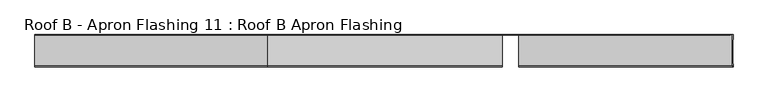
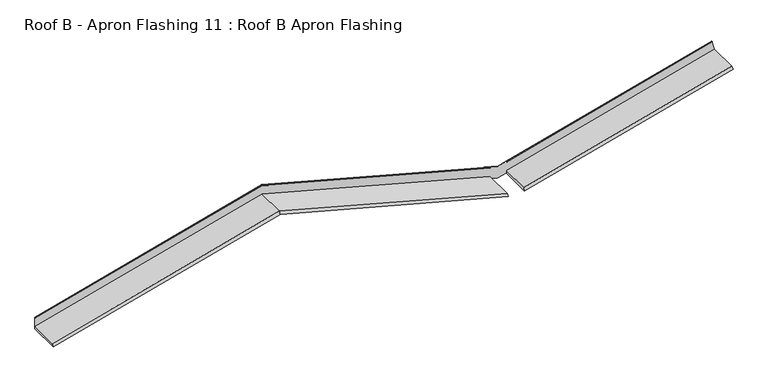
"""IFC4 building model written with IfcOpenShell, lengths in millimetres: proxy geometry, Roof B - Apron Flashing 11 : Roof B Apron Flashing."""

from ifc_helpers import new_model, si_unit, frame, origin, place, context, project, spatial, circle_curve, ellipse_curve, source, transform, mapped, element, save
from ifc_brep_helpers import plane_surface, cylinder_surface, advanced_brep


def roof_b_apron_flashing_11_roof_b_apron_flashing_f9b16e8e(model_context):
    return source(origin(), model_context, "Body", "AdvancedBrep", [
        advanced_brep(
        [(41046.9169756, -12743.6302348, 3936.6815328), (41053.9050898, -12760.5017073, 3910.6015355), (41053.9050898, -12725.1426619, 3910.6015355), (41049.6725696, -12725.1426619, 3926.3975159), (41049.6725696, -12451.2645713, 3926.3975159), (41053.9050898, -12451.2645713, 3910.6015355), (41053.9050898, -12398.2251597, 3910.6015355), (41018.7483068, -12398.2251597, 4041.808436), (41018.6544689, -12399.4491481, 4042.1586439), (41020.1649522, -12403.2391295, 4036.5214433), (41020.3059152, -12402.4004589, 4035.9953624), (41019.0404112, -12399.2251597, 4040.7182876), (41046.9169756, -12399.2251597, 3936.6815328), (35828.9343483, -12743.6302348, 3993.4914166), (35828.9343483, -12760.5017073, 3965.5389597), (38458.9343483, -12760.5017073, 3260.8325836), (38458.9343483, -12743.6302348, 3288.7850405), (35828.9343483, -12398.2251597, 3965.5389597), (38543.9343483, -12398.2251597, 3238.0569023), (38543.9343483, -12399.2251597, 3238.0569023), (38458.9343483, -12399.2251597, 3260.8325836), (35828.9343483, -12399.4491481, 4106.5414436), (35828.9343483, -12403.2391295, 4100.4995101), (38458.9343483, -12403.2391295, 3395.793134), (38458.9343483, -12399.4491481, 3401.8350675), (35828.9343483, -12399.2251597, 3993.4914166), (38458.9343483, -12399.2251597, 3288.7850405), (33211.0754059, -12760.5017073, 3264.0857702), (33211.0754059, -12398.2251597, 3264.0857702), (33211.0754059, -12399.4491481, 3405.0882541), (33211.0754059, -12403.2391295, 3399.0463206), (33211.0754059, -12399.2251597, 3292.0382271), (33211.0754059, -12743.6302348, 3292.0382271), (38647.1439648, -12743.6302348, 3293.6642926), (38647.1439648, -12760.5017073, 3265.7118357), (38727.4602553, -12451.2645713, 3287.2325209), (38727.4602553, -12725.1426619, 3287.2325209), (38647.1439648, -12399.2251597, 3265.7118357), (33211.0754059, -12398.2251597, 3404.7129024), (35828.9343483, -12398.2251597, 4106.1660919), (38543.9343483, -12398.2251597, 3378.6840344), (38647.1439648, -12399.4491481, 3406.7143195), (38647.1439648, -12403.2391295, 3400.6723861), (38647.1439648, -12399.2251597, 3405.1705503), (38647.1439648, -12399.2251597, 3406.9349346), (38543.9343483, -12399.2251597, 3379.2800012), (38458.9343483, -12399.2251597, 3402.0556826), (38458.9343483, -12399.2251597, 3400.2912982), (35828.9343483, -12399.2251597, 4104.9976743), (33211.0754059, -12399.2251597, 3403.5444848), (38647.1439648, -12399.2251597, 3293.6642926), (38647.1439648, -12402.4004589, 3400.1085343), (35828.9343483, -12402.4004589, 4099.9356583), (38458.9343483, -12402.4004589, 3395.2292822), (33211.0754059, -12402.4004589, 3398.4824688), (38727.4602553, -12451.2645713, 3304.1626016), (38727.4602553, -12725.1426619, 3304.1626016)],
        [
            (0, 1),
            (1, 2),
            (2, 3),
            (3, 4),
            (4, 5),
            (5, 6),
            (6, 7),
            (7, 8, circle_curve(frame((41018.7483068, -12398.8908518, 4041.808436), z_axis=(0.9659258262890694, 0.0, 0.2588190451025169), x_axis=(-0.2588190451025169, 0.0, 0.9659258262890694)), 0.6656921)),
            (8, 9),
            (9, 10, circle_curve(frame((41020.2354337, -12402.8197942, 4036.2584028), z_axis=(0.9659258262890694, 0.0, 0.2588190451025169), x_axis=(-0.2588190451025169, 0.0, 0.9659258262890694)), 0.5)),
            (10, 11),
            (11, 12),
            (12, 0),
            (13, 14),
            (14, 15),
            (15, 16),
            (16, 13),
            (14, 17),
            (17, 18),
            (18, 19),
            (19, 20),
            (20, 15),
            (21, 22),
            (22, 23),
            (23, 24),
            (24, 21),
            (25, 13),
            (16, 26),
            (26, 25),
            (14, 27),
            (27, 28),
            (28, 17),
            (21, 29),
            (29, 30),
            (30, 22),
            (25, 31),
            (31, 32),
            (32, 13),
            (0, 33),
            (33, 34),
            (34, 1),
            (18, 6),
            (5, 35),
            (35, 36),
            (36, 2),
            (34, 37),
            (37, 19),
            (28, 38),
            (38, 39),
            (39, 40),
            (40, 7),
            (8, 41),
            (41, 42),
            (42, 9),
            (11, 43),
            (43, 44),
            (44, 45),
            (45, 46),
            (46, 47),
            (47, 48),
            (48, 49),
            (49, 31),
            (26, 20),
            (37, 50),
            (50, 12),
            (50, 33),
            (40, 45, ellipse_curve(frame((38543.9343483, -12398.8908518, 3378.6840344), z_axis=(1.0, 0.0, 0.0), x_axis=(0.0, 0.0, 1.0)), 0.6891751, 0.6656921)),
            (44, 41, ellipse_curve(frame((38647.1439648, -12398.8908518, 3406.3389678), z_axis=(1.0, 0.0, 0.0), x_axis=(0.0, 0.0, 1.0)), 0.6891751, 0.6656921)),
            (42, 51, ellipse_curve(frame((38647.1439648, -12402.8197942, 3400.3904602), z_axis=(1.0, 0.0, 0.0), x_axis=(0.0, 0.0, 1.0)), 0.5176381, 0.5)),
            (51, 10),
            (51, 43),
            (39, 21, ellipse_curve(frame((35828.9343483, -12398.8908518, 4106.1660919), z_axis=(1.0, 0.0, 0.0), x_axis=(0.0, 0.0, -1.0)), 0.6891751, 0.6656921)),
            (24, 46, ellipse_curve(frame((38458.9343483, -12398.8908518, 3401.4597158), z_axis=(-1.0, 0.0, 0.0), x_axis=(0.0, 0.0, -1.0)), 0.6891751, 0.6656921)),
            (22, 52, ellipse_curve(frame((35828.9343483, -12402.8197942, 4100.2175842), z_axis=(1.0, 0.0, 0.0), x_axis=(0.0, 0.0, -1.0)), 0.5176381, 0.5)),
            (52, 53),
            (53, 23, ellipse_curve(frame((38458.9343483, -12402.8197942, 3395.5112081), z_axis=(-1.0, 0.0, 0.0), x_axis=(0.0, 0.0, -1.0)), 0.5176381, 0.5)),
            (52, 48),
            (47, 53),
            (38, 29, ellipse_curve(frame((33211.0754059, -12398.8908518, 3404.7129024), z_axis=(1.0, 0.0, 0.0), x_axis=(0.0, 0.0, 1.0)), 0.6891751, 0.6656921)),
            (30, 54, ellipse_curve(frame((33211.0754059, -12402.8197942, 3398.7643947), z_axis=(1.0, 0.0, 0.0), x_axis=(0.0, 0.0, 1.0)), 0.5176381, 0.5)),
            (54, 52),
            (54, 49),
            (32, 27),
            (4, 55),
            (55, 35),
            (36, 56),
            (56, 3),
            (56, 55),
        ],
        [
            plane_surface(frame((41074.6600132, -12407.7251597, 3833.1431071), z_axis=(0.9659258262890694, 0.0, 0.2588190451025169), x_axis=(0.0, 1.0, 0.0))),
            plane_surface(frame((38543.9343483, -12743.6302348, 3266.0093592), z_axis=(0.1371531979502686, -0.8480480961564247, 0.5118627031709555), x_axis=(-0.9659258262890684, 0.0, 0.2588190451025201))),
            plane_surface(frame((38543.9343483, -12760.5017073, 3238.0569023), z_axis=(-0.2588190451025201, 0.0, -0.9659258262890684), x_axis=(-0.9659258262890684, 0.0, 0.2588190451025201))),
            plane_surface(frame((38543.9343483, -12399.4491481, 3379.0593861), z_axis=(0.14096295496814812, -0.8386705679454219, 0.526080909926174), x_axis=(-0.9659258262890684, 0.0, 0.2588190451025201))),
            plane_surface(frame((38543.9343483, -12399.2251597, 3266.0093592), z_axis=(0.2588190451025201, 0.0, 0.9659258262890684), x_axis=(-0.9659258262890684, 0.0, 0.2588190451025201))),
            plane_surface(frame((35828.9343483, -12760.5017073, 3965.5389597), z_axis=(0.25881904510252035, 0.0, -0.9659258262890684), x_axis=(-0.9659258262890684, 0.0, -0.25881904510252035))),
            plane_surface(frame((35828.9343483, -12399.4491481, 4106.5414436), z_axis=(-0.14096295496814787, -0.838670567945422, 0.526080909926174), x_axis=(-0.9659258262890685, 0.0, -0.25881904510251963))),
            plane_surface(frame((35828.9343483, -12399.2251597, 3993.4914166), z_axis=(-0.2588190451025201, 0.0, 0.9659258262890684), x_axis=(-0.9659258262890684, 0.0, -0.2588190451025201))),
            plane_surface(frame((41046.9169756, -12743.6302348, 3936.6815328), z_axis=(-0.13715319795026687, -0.8480480961564247, 0.511862703170956), x_axis=(-0.9659258262890694, 0.0, -0.2588190451025168))),
            plane_surface(frame((41053.9050898, -12760.5017073, 3910.6015355), z_axis=(0.25881904510251635, 0.0, -0.9659258262890695), x_axis=(-0.9659258262890695, 0.0, -0.25881904510251635))),
            plane_surface(frame((41053.9050898, -12398.2251597, 3910.6015355), z_axis=(0.0, 1.0, 0.0), x_axis=(-0.9659258262890695, 0.0, -0.25881904510251613))),
            plane_surface(frame((41018.6544689, -12399.4491481, 4042.1586439), z_axis=(-0.1409629549681467, -0.8386705679454222, 0.5260809099261745), x_axis=(-0.9659258262890693, 0.0, -0.25881904510251746))),
            plane_surface(frame((41019.0404112, -12399.2251597, 4040.7182876), z_axis=(0.0, -1.0, 0.0), x_axis=(-0.9659258262890694, 0.0, -0.25881904510251663))),
            plane_surface(frame((41046.9169756, -12399.2251597, 3936.6815328), z_axis=(-0.2588190451025166, 0.0, 0.9659258262890694), x_axis=(-0.9659258262890694, 0.0, -0.2588190451025166))),
            cylinder_surface(frame((41018.7483068, -12398.8908518, 4041.808436), z_axis=(0.9659258262890694, 0.0, 0.2588190451025169), x_axis=(-0.2588190451025169, 0.0, 0.9659258262890694)), 0.6656921),
            cylinder_surface(frame((41020.2354337, -12402.8197942, 4036.2584028), z_axis=(0.9659258262890694, 0.0, 0.2588190451025169), x_axis=(-0.2588190451025169, 0.0, 0.9659258262890694)), 0.5),
            plane_surface(frame((41020.3059152, -12402.4004589, 4035.9953624), z_axis=(0.14096295496814465, 0.838670567945427, -0.526080909926167), x_axis=(-0.9659258262890692, 0.0, -0.25881904510251735))),
            cylinder_surface(frame((38599.8460547, -12398.8908518, 3363.7025379), z_axis=(0.9659258262890684, 0.0, -0.2588190451025201), x_axis=(0.2588190451025201, 0.0, 0.9659258262890684)), 0.6656921),
            cylinder_surface(frame((38598.3589278, -12402.8197942, 3358.1525047), z_axis=(0.9659258262890684, 0.0, -0.2588190451025201), x_axis=(0.2588190451025201, 0.0, 0.9659258262890684)), 0.5),
            plane_surface(frame((38543.9343483, -12402.4004589, 3372.4536009), z_axis=(-0.14096295496814612, 0.8386705679454272, -0.5260809099261665), x_axis=(-0.9659258262890684, 0.0, 0.2588190451025201))),
            cylinder_surface(frame((35773.0226419, -12398.8908518, 4091.1845953), z_axis=(0.9659258262890684, 0.0, 0.2588190451025201), x_axis=(-0.2588190451025201, 0.0, 0.9659258262890684)), 0.6656921),
            cylinder_surface(frame((35774.5097688, -12402.8197942, 4085.6345621), z_axis=(0.9659258262890684, 0.0, 0.2588190451025201), x_axis=(-0.2588190451025201, 0.0, 0.9659258262890684)), 0.5),
            plane_surface(frame((35828.9343483, -12402.4004589, 4099.9356583), z_axis=(0.14096295496814634, 0.8386705679454272, -0.5260809099261665), x_axis=(-0.9659258262890684, 0.0, -0.25881904510252046))),
            plane_surface(frame((35828.9343483, -12743.6302348, 3993.4914166), z_axis=(-0.1371531979502686, -0.8480480961564247, 0.5118627031709555), x_axis=(-0.9659258262890684, 0.0, -0.2588190451025201))),
            plane_surface(frame((38647.1439648, -13108.2880679, 3660.9894786), z_axis=(-1.0, 0.0, 0.0), x_axis=(0.0, 0.0, -1.0))),
            plane_surface(frame((38458.9343483, -12399.2251597, 3660.9894786), z_axis=(1.0, 0.0, 0.0), x_axis=(0.0, 0.0, -1.0))),
            plane_surface(frame((33211.0754059, -13073.2880679, 3739.5229882), z_axis=(-1.0, 0.0, 0.0), x_axis=(0.0, 0.0, -1.0))),
            plane_surface(frame((38727.4602553, -12451.2645713, 3204.1626016), z_axis=(0.0, -1.0, 0.0), x_axis=(-1.0, 0.0, 0.0))),
            plane_surface(frame((38727.4602553, -12725.1426619, 3204.1626016), z_axis=(0.0, 1.0, 0.0), x_axis=(1.0, 0.0, 0.0))),
            plane_surface(frame((41442.4602553, -12725.1426619, 4031.6446591), z_axis=(0.25881904510251846, 0.0, -0.965925826289069), x_axis=(0.0, 1.0, 0.0))),
            plane_surface(frame((38727.4602553, -12725.1426619, 3304.1626016), z_axis=(1.0, 0.0, 0.0), x_axis=(0.0, 1.0, 0.0))),
        ],
        [
            (0, [[1, 2, 3, 4, 5, 6, 7, 8, 9, 10, 11, 12, 13]]),
            (1, [[14, 15, 16, 17]]),
            (2, [[18, 19, 20, 21, 22, -15]]),
            (3, [[23, 24, 25, 26]]),
            (4, [[27, -17, 28, 29]]),
            (5, [[-18, 30, 31, 32]]),
            (6, [[-23, 33, 34, 35]]),
            (7, [[-27, 36, 37, 38]]),
            (8, [[-1, 39, 40, 41]]),
            (9, [[42, -6, 43, 44, 45, -2, -41, 46, 47, -20]]),
            (10, [[-7, -42, -19, -32, 48, 49, 50, 51]]),
            (11, [[-9, 52, 53, 54]]),
            (12, [[-12, 55, 56, 57, 58, 59, 60, 61, 62, -36, -29, 63, -21, -47, 64, 65]]),
            (13, [[-13, -65, 66, -39]]),
            (14, [[-8, -51, 67, -57, 68, -52]]),
            (15, [[-10, -54, 69, 70]]),
            (16, [[-11, -70, 71, -55]]),
            (17, [[-50, 72, -26, 73, -58, -67]]),
            (18, [[74, 75, 76, -24]]),
            (19, [[77, -60, 78, -75]]),
            (20, [[-72, -49, 79, -33]]),
            (21, [[-74, -35, 80, 81]]),
            (22, [[-77, -81, 82, -61]]),
            (23, [[-14, -38, 83, -30]]),
            (24, [[-64, -46, -40, -66]]),
            (24, [[-56, -71, -69, -53, -68]]),
            (25, [[-63, -28, -16, -22]]),
            (25, [[-59, -73, -25, -76, -78]]),
            (26, [[-31, -83, -37, -62, -82, -80, -34, -79, -48]]),
            (27, [[84, 85, -43, -5]]),
            (28, [[86, 87, -3, -45]]),
            (29, [[88, -84, -4, -87]]),
            (30, [[-88, -86, -44, -85]]),
        ],
    ),
    ])


if __name__ == "__main__":
    model = new_model("IFC4")
    model_context = context("Model", 3, world=origin())
    ifc_project = project(units=[si_unit("LENGTHUNIT", "METRE", prefix="MILLI")], contexts=[model_context])
    site = spatial("IfcSite", under=ifc_project)
    building = spatial("IfcBuilding", under=site)
    placement = place(None, origin())
    roof_b_apron_flashing_11_roof_b_apron_flashing_shape = roof_b_apron_flashing_11_roof_b_apron_flashing_f9b16e8e(model_context)
    element("IfcBuildingElementProxy", 1, Name="Roof B - Apron Flashing 11 : Roof B Apron Flashing", ObjectType="Roof B - Apron Flashing 11 : Roof B Apron Flashing", at=placement, inside=building, context=model_context, shape_type="MappedRepresentation", body=[
        mapped(roof_b_apron_flashing_11_roof_b_apron_flashing_shape, transform((0.0, 0.0, 0.0), x_axis=(1.0, 0.0, 0.0), y_axis=(0.0, 1.0, 0.0), z_axis=(0.0, 0.0, 1.0))),
    ])
    save(model, "model.ifc")
